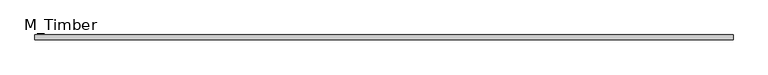
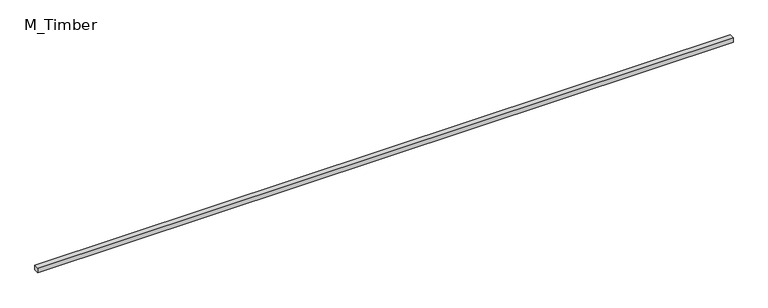
"""IFC4 building model written with IfcOpenShell, lengths in millimetres: beam geometry, M_Timber."""

import ifcopenshell
import ifcopenshell.guid

model = None  # the IFC model being written
_history = None  # IfcOwnerHistory: only IFC2X3 demands one
_inside = {}  # id of a spatial element -> (the spatial element, [elements in it])
_under = {}  # id of a project, library or spatial element -> (it, [spatial elements below it])
_declared = {}  # id of a project -> (the project, [libraries it declares])
_typed = {}  # id of a type object -> (the type object, [elements of that type])
_made_of = {}  # id of a material, layer set ... -> (it, [elements and type objects made of it])


def new_model(schema):
    """Start an empty IFC model of exactly this schema.

    Asked for "IFC4X3", IfcOpenShell would pick the latest addendum, in which some entities
    have other attributes; the version numbers below select the first issue.
    IFC2X3 requires an IfcOwnerHistory on every rooted entity: one is made here for all.
    """
    global model, _history
    if schema == "IFC4X3":
        model = ifcopenshell.file(schema_version=(4, 3, 0, 0))
    else:
        model = ifcopenshell.file(schema=schema)
    _inside.clear()
    _under.clear()
    _declared.clear()
    _typed.clear()
    _made_of.clear()
    _history = None
    if model.schema == "IFC2X3":
        org = make("IfcOrganization", Name="unknown")
        user = make(
            "IfcPersonAndOrganization",
            ThePerson=make("IfcPerson", FamilyName="unknown"),
            TheOrganization=org,
        )
        app = make(
            "IfcApplication",
            ApplicationDeveloper=org,
            Version="unknown",
            ApplicationFullName="unknown",
            ApplicationIdentifier="unknown",
        )
        _history = make(
            "IfcOwnerHistory",
            OwningUser=user,
            OwningApplication=app,
            ChangeAction="ADDED",
            CreationDate=0,
        )
    return model


def make(cls, **values):
    """One entity of the class cls with the attributes given. An attribute that is None is left unset."""
    return model.create_entity(
        cls, **{name: value for name, value in values.items() if value is not None}
    )


def rooted(cls, **values):
    """An entity with a GlobalId (a new one), such as an element, a storey or a relation."""
    return make(cls, GlobalId=ifcopenshell.guid.new(), OwnerHistory=_history, **values)


def si_unit(unit_type, name, prefix=None):
    """IfcSIUnit, for example si_unit("LENGTHUNIT", "METRE", prefix="MILLI")."""
    return make("IfcSIUnit", UnitType=unit_type, Prefix=prefix, Name=name)


def assignment(units):
    """IfcUnitAssignment: the units of a project."""
    return None if units is None else make("IfcUnitAssignment", Units=units)


def point(xyz):
    """IfcCartesianPoint."""
    return None if xyz is None else make("IfcCartesianPoint", Coordinates=xyz)


def direction(xyz):
    """IfcDirection."""
    return None if xyz is None else make("IfcDirection", DirectionRatios=xyz)


def frame(location, z_axis=None, x_axis=None):
    """IfcAxis2Placement3D, a coordinate frame: its origin and axes. An axis left out is left unset."""
    return make(
        "IfcAxis2Placement3D",
        Location=point(location),
        Axis=direction(z_axis),
        RefDirection=direction(x_axis),
    )


def origin():
    """The frame at (0, 0, 0) with its axes left unset."""
    return frame((0.0, 0.0, 0.0))


def place(relative_to, where):
    """IfcLocalPlacement: puts the frame where relative to a parent placement (None: the world)."""
    return make(
        "IfcLocalPlacement", PlacementRelTo=relative_to, RelativePlacement=where
    )


def context(
    kind, dimensions, precision=None, world=None, true_north=None, identifier=None
):
    """IfcGeometricRepresentationContext, for example the 3D "Model" context."""
    return make(
        "IfcGeometricRepresentationContext",
        ContextIdentifier=identifier,
        ContextType=kind,
        CoordinateSpaceDimension=dimensions,
        Precision=precision,
        WorldCoordinateSystem=world,
        TrueNorth=true_north,
    )


def project(units=None, contexts=None):
    """IfcProject with its units and contexts."""
    return rooted(
        "IfcProject",
        Name="project",
        RepresentationContexts=contexts,
        UnitsInContext=assignment(units),
    )


def spatial(cls, under=None, at=None, **own):
    """A site, building, storey or space (cls), placed at a placement, below another one or the project."""
    s = rooted(cls, ObjectPlacement=at, **own)
    if under is not None:
        _under.setdefault(under.id(), (under, []))[1].append(s)
    return s


def polyline(points):
    """IfcPolyline through the points."""
    return make("IfcPolyline", Points=[point(p) for p in points])


def outline(outer, holes=None, kind="AREA"):
    """IfcArbitraryClosedProfileDef: a profile drawn as a closed curve; with holes, ...WithVoids."""
    if holes is None:
        return make("IfcArbitraryClosedProfileDef", ProfileType=kind, OuterCurve=outer)
    return make(
        "IfcArbitraryProfileDefWithVoids",
        ProfileType=kind,
        OuterCurve=outer,
        InnerCurves=holes,
    )


def extrude(swept, where, along, depth):
    """IfcExtrudedAreaSolid: the profile swept, set in the frame where, extruded along a direction by depth."""
    return make(
        "IfcExtrudedAreaSolid",
        SweptArea=swept,
        Position=where,
        ExtrudedDirection=direction(along),
        Depth=depth,
    )


def shape(context_of_items, identifier, shape_type, items):
    """IfcShapeRepresentation: the items that make up one representation, for example the "Body"."""
    return make(
        "IfcShapeRepresentation",
        ContextOfItems=context_of_items,
        RepresentationIdentifier=identifier,
        RepresentationType=shape_type,
        Items=items,
    )


def source(mapping_origin, context_of_items, identifier, shape_type, items):
    """IfcRepresentationMap: a shape defined once, which mapped items show again and again."""
    return make(
        "IfcRepresentationMap",
        MappingOrigin=mapping_origin,
        MappedRepresentation=shape(context_of_items, identifier, shape_type, items),
    )


def transform(
    local_origin,
    x_axis=None,
    y_axis=None,
    z_axis=None,
    scale=None,
    scale2=None,
    scale3=None,
    uniform=True,
):
    """IfcCartesianTransformationOperator3D, or its non-uniform kind. x_axis, y_axis, z_axis: its Axis1, 2, 3."""
    if uniform:
        return make(
            "IfcCartesianTransformationOperator3D",
            Axis1=direction(x_axis),
            Axis2=direction(y_axis),
            LocalOrigin=point(local_origin),
            Scale=scale,
            Axis3=direction(z_axis),
        )
    return make(
        "IfcCartesianTransformationOperator3DnonUniform",
        Axis1=direction(x_axis),
        Axis2=direction(y_axis),
        LocalOrigin=point(local_origin),
        Scale=scale,
        Axis3=direction(z_axis),
        Scale2=scale2,
        Scale3=scale3,
    )


def mapped(mapping_source, mapping_target):
    """IfcMappedItem: shows the shape of a source again, moved by a transform."""
    return make(
        "IfcMappedItem", MappingSource=mapping_source, MappingTarget=mapping_target
    )


def made_of(thing, what):
    """Note that an element or type object is made of a material, layer set ...; save() writes the relation."""
    if what is not None:
        _made_of.setdefault(what.id(), (what, []))[1].append(thing)
    return thing


def element(
    cls,
    number,
    at=None,
    inside=None,
    cuts=None,
    type_object=None,
    material=None,
    context=None,
    identifier="Body",
    shape_type=None,
    held_by="IfcProductDefinitionShape",
    body=None,
    shapes=None,
    **own,
):
    """One element of the class cls, such as IfcWall. Its Tag is "e" and its number.

    at: its placement. inside: the storey or other place that contains it. cuts: it is an
    opening in that element (IfcRelVoidsElement). A single representation is given by context,
    identifier, shape_type and body (its items); several are given by shapes. held_by: the class
    of the entity that holds the representations. save() writes the other relations.
    """
    e = rooted(cls, Tag="e%d" % number, ObjectPlacement=at, **own)
    if body is not None:
        shapes = [shape(context, identifier, shape_type, body)]
    if shapes is not None:
        e.Representation = make(held_by, Representations=shapes)
    if inside is not None:
        _inside.setdefault(inside.id(), (inside, []))[1].append(e)
    if cuts is not None:
        rooted(
            "IfcRelVoidsElement", RelatingBuildingElement=cuts, RelatedOpeningElement=e
        )
    if type_object is not None:
        _typed.setdefault(type_object.id(), (type_object, []))[1].append(e)
    return made_of(e, material)


def aggregate(whole, parts):
    """IfcRelAggregates: a whole, such as a stair, and the parts it consists of."""
    return rooted("IfcRelAggregates", RelatingObject=whole, RelatedObjects=parts)


def save(model, path):
    """Write the relations noted so far, then the file.

    IfcRelAggregates (storeys below a building ...), IfcRelContainedInSpatialStructure (elements
    in a storey), IfcRelDefinesByType, IfcRelAssociatesMaterial and IfcRelDeclares: one each for
    every whole, place, type object, material and project.
    """
    for whole, parts in _under.values():
        aggregate(whole, parts)
    for where, things in _inside.values():
        rooted(
            "IfcRelContainedInSpatialStructure",
            RelatedElements=things,
            RelatingStructure=where,
        )
    for kind, things in _typed.values():
        rooted("IfcRelDefinesByType", RelatedObjects=things, RelatingType=kind)
    for what, things in _made_of.values():
        rooted("IfcRelAssociatesMaterial", RelatedObjects=things, RelatingMaterial=what)
    for by, libraries in _declared.values():
        rooted("IfcRelDeclares", RelatingContext=by, RelatedDefinitions=libraries)
    model.write(path)


def m_timber_f4eb2047(model_context):
    return source(origin(), model_context, "Body", "SweptSolid", [
        extrude(outline(polyline([(2814.3401461, 20.0), (2814.3401461, -20.0), (-2814.3401461, -20.0), (-2814.3401461, 20.0), (2814.3401461, 20.0)])), frame((0.0, 0.0, -20.0), z_axis=(0.0, 0.0, 1.0), x_axis=(1.0, 0.0, 0.0)), (0.0, 0.0, 1.0), 40.0),
    ])


if __name__ == "__main__":
    model = new_model("IFC4")
    model_context = context("Model", 3, world=origin())
    ifc_project = project(units=[si_unit("LENGTHUNIT", "METRE", prefix="MILLI")], contexts=[model_context])
    site = spatial("IfcSite", under=ifc_project)
    building = spatial("IfcBuilding", under=site)
    placement = place(None, origin())
    m_timber_shape = m_timber_f4eb2047(model_context)
    element("IfcBeam", 1, ObjectType="M_Timber", at=placement, inside=building, context=model_context, shape_type="MappedRepresentation", body=[
        mapped(m_timber_shape, transform((0.0, 0.0, 0.0), x_axis=(1.0, 0.0, 0.0), y_axis=(0.0, 1.0, 0.0), z_axis=(0.0, 0.0, 1.0))),
    ])
    save(model, "model.ifc")
